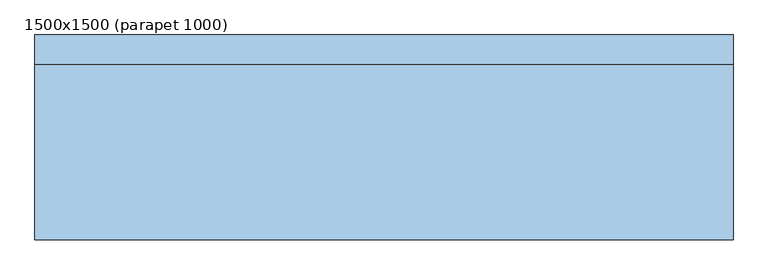
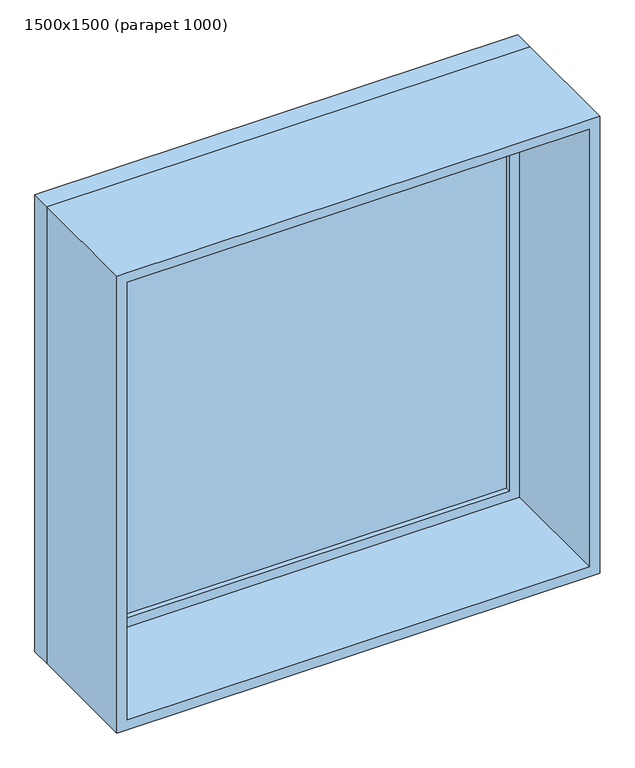
"""IFC4 building model written with IfcOpenShell, lengths in millimetres: window geometry, 1500x1500 (parapet 1000)."""

from ifc_helpers import new_model, si_unit, frame, origin, place, context, project, spatial, polyline, outline, extrude, source, transform, mapped, element, save


def window_1500x1500_parapet_1000_55a3d174(model_context):
    return source(origin(), model_context, "Body", "SweptSolid", [
        extrude(outline(polyline([(-687.0, 198.0), (687.0, 198.0), (687.0, 186.0), (-687.0, 186.0), (-687.0, 198.0)])), frame((0.0, 0.0, 1063.0), z_axis=(0.0, 0.0, 1.0), x_axis=(1.0, 0.0, 0.0)), (0.0, 0.0, 1.0), 1374.0),
        extrude(outline(polyline([(2481.0, -731.0), (1019.0, -731.0), (1019.0, 731.0), (2481.0, 731.0), (2481.0, -731.0)]), holes=[polyline([(2437.0, -687.0), (2437.0, 687.0), (1063.0, 687.0), (1063.0, -687.0), (2437.0, -687.0)])]), frame((0.0, 170.0, 0.0), z_axis=(0.0, 1.0, 0.0), x_axis=(0.0, 0.0, 1.0)), (0.0, 0.0, 1.0), 44.0),
        extrude(outline(polyline([(2500.0, -750.0), (1000.0, -750.0), (1000.0, 750.0), (2500.0, 750.0), (2500.0, -750.0)]), holes=[polyline([(2481.0, -731.0), (2481.0, 731.0), (1019.0, 731.0), (1019.0, -731.0), (2481.0, -731.0)])]), frame((0.0, 170.0, 0.0), z_axis=(0.0, 1.0, 0.0), x_axis=(0.0, 0.0, 1.0)), (0.0, 0.0, 1.0), 63.0),
        extrude(outline(polyline([(2500.0, -750.0), (1000.0, -750.0), (1000.0, 750.0), (2500.0, 750.0), (2500.0, -750.0)]), holes=[polyline([(2468.0, -718.0), (2468.0, 718.0), (1032.0, 718.0), (1032.0, -718.0), (2468.0, -718.0)])]), frame((0.0, -207.0, 0.0), z_axis=(0.0, 1.0, 0.0), x_axis=(0.0, 0.0, 1.0)), (0.0, 0.0, 1.0), 377.0),
    ])


if __name__ == "__main__":
    model = new_model("IFC4")
    model_context = context("Model", 3, world=origin())
    ifc_project = project(units=[si_unit("LENGTHUNIT", "METRE", prefix="MILLI")], contexts=[model_context])
    site = spatial("IfcSite", under=ifc_project)
    building = spatial("IfcBuilding", under=site)
    placement = place(None, origin())
    window_1500x1500_parapet_1000_shape = window_1500x1500_parapet_1000_55a3d174(model_context)
    element("IfcWindow", 1, ObjectType="1500x1500 (parapet 1000)", at=placement, inside=building, context=model_context, shape_type="MappedRepresentation", body=[
        mapped(window_1500x1500_parapet_1000_shape, transform((0.0, 0.0, 0.0), x_axis=(1.0, 0.0, 0.0), y_axis=(0.0, 1.0, 0.0), z_axis=(0.0, 0.0, 1.0))),
    ])
    save(model, "model.ifc")
